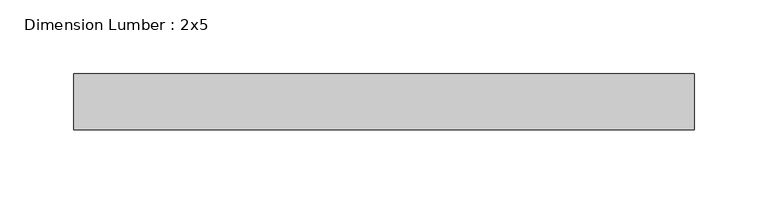
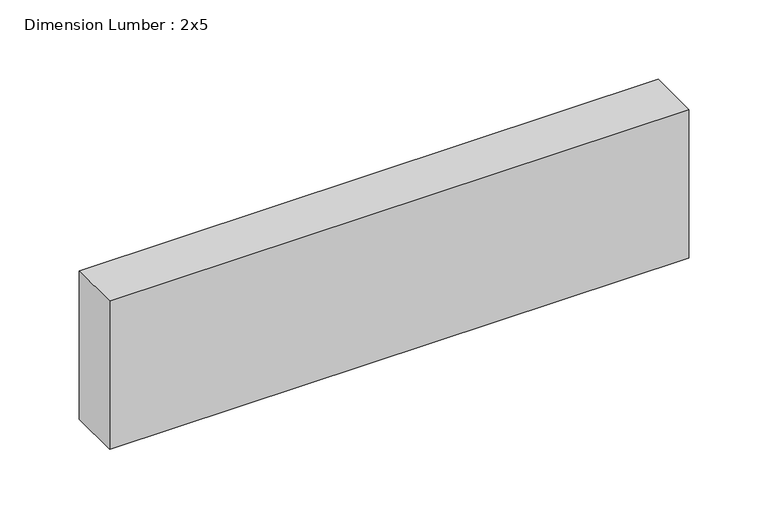
"""IFC4 building model written with IfcOpenShell, lengths in millimetres: beam geometry, Dimension Lumber : 2x5."""

from ifc_helpers import new_model, si_unit, frame, origin, place, context, project, spatial, polyline, outline, extrude, source, transform, mapped, element, save


def dimension_lumber_2x5_a4fbb77b(model_context):
    return source(origin(), model_context, "Body", "SweptSolid", [
        extrude(outline(polyline([(213.0368877, 19.05), (213.0368877, -19.05), (-207.6961476, -19.05), (-207.6961476, 19.05), (213.0368877, 19.05)])), frame((0.0, 0.0, -57.15), z_axis=(0.0, 0.0, 1.0), x_axis=(1.0, 0.0, 0.0)), (0.0, 0.0, 1.0), 114.3),
    ])


if __name__ == "__main__":
    model = new_model("IFC4")
    model_context = context("Model", 3, world=origin())
    ifc_project = project(units=[si_unit("LENGTHUNIT", "METRE", prefix="MILLI")], contexts=[model_context])
    site = spatial("IfcSite", under=ifc_project)
    building = spatial("IfcBuilding", under=site)
    placement = place(None, origin())
    dimension_lumber_2x5_shape = dimension_lumber_2x5_a4fbb77b(model_context)
    element("IfcBeam", 1, ObjectType="Dimension Lumber : 2x5", at=placement, inside=building, context=model_context, shape_type="MappedRepresentation", body=[
        mapped(dimension_lumber_2x5_shape, transform((0.0, 0.0, 0.0), x_axis=(1.0, 0.0, 0.0), y_axis=(0.0, 1.0, 0.0), z_axis=(0.0, 0.0, 1.0))),
    ])
    save(model, "model.ifc")
